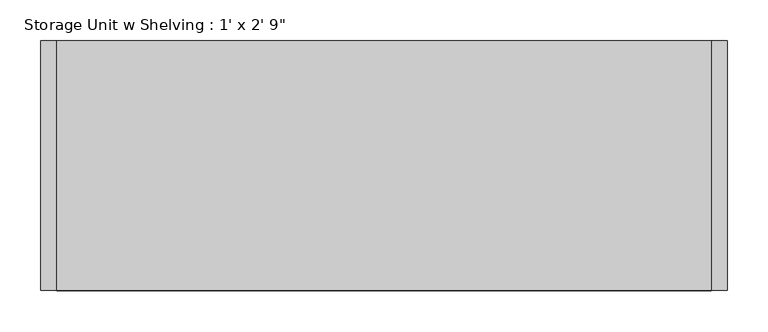
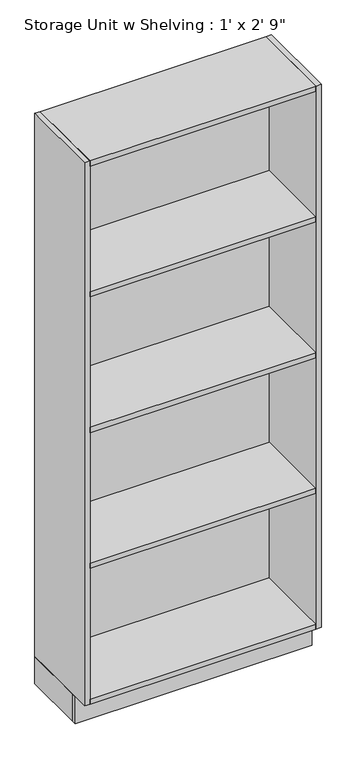
"""IFC4 building model written with IfcOpenShell, lengths in millimetres: furniture geometry."""

import ifcopenshell
import ifcopenshell.guid

model = None  # the IFC model being written
_history = None  # IfcOwnerHistory: only IFC2X3 demands one
_inside = {}  # id of a spatial element -> (the spatial element, [elements in it])
_under = {}  # id of a project, library or spatial element -> (it, [spatial elements below it])
_declared = {}  # id of a project -> (the project, [libraries it declares])
_typed = {}  # id of a type object -> (the type object, [elements of that type])
_made_of = {}  # id of a material, layer set ... -> (it, [elements and type objects made of it])


def new_model(schema):
    """Start an empty IFC model of exactly this schema.

    Asked for "IFC4X3", IfcOpenShell would pick the latest addendum, in which some entities
    have other attributes; the version numbers below select the first issue.
    IFC2X3 requires an IfcOwnerHistory on every rooted entity: one is made here for all.
    """
    global model, _history
    if schema == "IFC4X3":
        model = ifcopenshell.file(schema_version=(4, 3, 0, 0))
    else:
        model = ifcopenshell.file(schema=schema)
    _inside.clear()
    _under.clear()
    _declared.clear()
    _typed.clear()
    _made_of.clear()
    _history = None
    if model.schema == "IFC2X3":
        org = make("IfcOrganization", Name="unknown")
        user = make(
            "IfcPersonAndOrganization",
            ThePerson=make("IfcPerson", FamilyName="unknown"),
            TheOrganization=org,
        )
        app = make(
            "IfcApplication",
            ApplicationDeveloper=org,
            Version="unknown",
            ApplicationFullName="unknown",
            ApplicationIdentifier="unknown",
        )
        _history = make(
            "IfcOwnerHistory",
            OwningUser=user,
            OwningApplication=app,
            ChangeAction="ADDED",
            CreationDate=0,
        )
    return model


def make(cls, **values):
    """One entity of the class cls with the attributes given. An attribute that is None is left unset."""
    return model.create_entity(
        cls, **{name: value for name, value in values.items() if value is not None}
    )


def rooted(cls, **values):
    """An entity with a GlobalId (a new one), such as an element, a storey or a relation."""
    return make(cls, GlobalId=ifcopenshell.guid.new(), OwnerHistory=_history, **values)


def si_unit(unit_type, name, prefix=None):
    """IfcSIUnit, for example si_unit("LENGTHUNIT", "METRE", prefix="MILLI")."""
    return make("IfcSIUnit", UnitType=unit_type, Prefix=prefix, Name=name)


def assignment(units):
    """IfcUnitAssignment: the units of a project."""
    return None if units is None else make("IfcUnitAssignment", Units=units)


def point(xyz):
    """IfcCartesianPoint."""
    return None if xyz is None else make("IfcCartesianPoint", Coordinates=xyz)


def direction(xyz):
    """IfcDirection."""
    return None if xyz is None else make("IfcDirection", DirectionRatios=xyz)


def frame(location, z_axis=None, x_axis=None):
    """IfcAxis2Placement3D, a coordinate frame: its origin and axes. An axis left out is left unset."""
    return make(
        "IfcAxis2Placement3D",
        Location=point(location),
        Axis=direction(z_axis),
        RefDirection=direction(x_axis),
    )


def origin():
    """The frame at (0, 0, 0) with its axes left unset."""
    return frame((0.0, 0.0, 0.0))


def origin_with_axes():
    """The frame at (0, 0, 0) with the z axis (0, 0, 1) and the x axis (1, 0, 0) written out."""
    return frame((0.0, 0.0, 0.0), z_axis=(0.0, 0.0, 1.0), x_axis=(1.0, 0.0, 0.0))


def place(relative_to, where):
    """IfcLocalPlacement: puts the frame where relative to a parent placement (None: the world)."""
    return make(
        "IfcLocalPlacement", PlacementRelTo=relative_to, RelativePlacement=where
    )


def context(
    kind, dimensions, precision=None, world=None, true_north=None, identifier=None
):
    """IfcGeometricRepresentationContext, for example the 3D "Model" context."""
    return make(
        "IfcGeometricRepresentationContext",
        ContextIdentifier=identifier,
        ContextType=kind,
        CoordinateSpaceDimension=dimensions,
        Precision=precision,
        WorldCoordinateSystem=world,
        TrueNorth=true_north,
    )


def project(units=None, contexts=None):
    """IfcProject with its units and contexts."""
    return rooted(
        "IfcProject",
        Name="project",
        RepresentationContexts=contexts,
        UnitsInContext=assignment(units),
    )


def spatial(cls, under=None, at=None, **own):
    """A site, building, storey or space (cls), placed at a placement, below another one or the project."""
    s = rooted(cls, ObjectPlacement=at, **own)
    if under is not None:
        _under.setdefault(under.id(), (under, []))[1].append(s)
    return s


def polyline(points):
    """IfcPolyline through the points."""
    return make("IfcPolyline", Points=[point(p) for p in points])


def outline(outer, holes=None, kind="AREA"):
    """IfcArbitraryClosedProfileDef: a profile drawn as a closed curve; with holes, ...WithVoids."""
    if holes is None:
        return make("IfcArbitraryClosedProfileDef", ProfileType=kind, OuterCurve=outer)
    return make(
        "IfcArbitraryProfileDefWithVoids",
        ProfileType=kind,
        OuterCurve=outer,
        InnerCurves=holes,
    )


def extrude(swept, where, along, depth):
    """IfcExtrudedAreaSolid: the profile swept, set in the frame where, extruded along a direction by depth."""
    return make(
        "IfcExtrudedAreaSolid",
        SweptArea=swept,
        Position=where,
        ExtrudedDirection=direction(along),
        Depth=depth,
    )


def shape(context_of_items, identifier, shape_type, items):
    """IfcShapeRepresentation: the items that make up one representation, for example the "Body"."""
    return make(
        "IfcShapeRepresentation",
        ContextOfItems=context_of_items,
        RepresentationIdentifier=identifier,
        RepresentationType=shape_type,
        Items=items,
    )


def source(mapping_origin, context_of_items, identifier, shape_type, items):
    """IfcRepresentationMap: a shape defined once, which mapped items show again and again."""
    return make(
        "IfcRepresentationMap",
        MappingOrigin=mapping_origin,
        MappedRepresentation=shape(context_of_items, identifier, shape_type, items),
    )


def transform(
    local_origin,
    x_axis=None,
    y_axis=None,
    z_axis=None,
    scale=None,
    scale2=None,
    scale3=None,
    uniform=True,
):
    """IfcCartesianTransformationOperator3D, or its non-uniform kind. x_axis, y_axis, z_axis: its Axis1, 2, 3."""
    if uniform:
        return make(
            "IfcCartesianTransformationOperator3D",
            Axis1=direction(x_axis),
            Axis2=direction(y_axis),
            LocalOrigin=point(local_origin),
            Scale=scale,
            Axis3=direction(z_axis),
        )
    return make(
        "IfcCartesianTransformationOperator3DnonUniform",
        Axis1=direction(x_axis),
        Axis2=direction(y_axis),
        LocalOrigin=point(local_origin),
        Scale=scale,
        Axis3=direction(z_axis),
        Scale2=scale2,
        Scale3=scale3,
    )


def mapped(mapping_source, mapping_target):
    """IfcMappedItem: shows the shape of a source again, moved by a transform."""
    return make(
        "IfcMappedItem", MappingSource=mapping_source, MappingTarget=mapping_target
    )


def made_of(thing, what):
    """Note that an element or type object is made of a material, layer set ...; save() writes the relation."""
    if what is not None:
        _made_of.setdefault(what.id(), (what, []))[1].append(thing)
    return thing


def element(
    cls,
    number,
    at=None,
    inside=None,
    cuts=None,
    type_object=None,
    material=None,
    context=None,
    identifier="Body",
    shape_type=None,
    held_by="IfcProductDefinitionShape",
    body=None,
    shapes=None,
    **own,
):
    """One element of the class cls, such as IfcWall. Its Tag is "e" and its number.

    at: its placement. inside: the storey or other place that contains it. cuts: it is an
    opening in that element (IfcRelVoidsElement). A single representation is given by context,
    identifier, shape_type and body (its items); several are given by shapes. held_by: the class
    of the entity that holds the representations. save() writes the other relations.
    """
    e = rooted(cls, Tag="e%d" % number, ObjectPlacement=at, **own)
    if body is not None:
        shapes = [shape(context, identifier, shape_type, body)]
    if shapes is not None:
        e.Representation = make(held_by, Representations=shapes)
    if inside is not None:
        _inside.setdefault(inside.id(), (inside, []))[1].append(e)
    if cuts is not None:
        rooted(
            "IfcRelVoidsElement", RelatingBuildingElement=cuts, RelatedOpeningElement=e
        )
    if type_object is not None:
        _typed.setdefault(type_object.id(), (type_object, []))[1].append(e)
    return made_of(e, material)


def aggregate(whole, parts):
    """IfcRelAggregates: a whole, such as a stair, and the parts it consists of."""
    return rooted("IfcRelAggregates", RelatingObject=whole, RelatedObjects=parts)


def save(model, path):
    """Write the relations noted so far, then the file.

    IfcRelAggregates (storeys below a building ...), IfcRelContainedInSpatialStructure (elements
    in a storey), IfcRelDefinesByType, IfcRelAssociatesMaterial and IfcRelDeclares: one each for
    every whole, place, type object, material and project.
    """
    for whole, parts in _under.values():
        aggregate(whole, parts)
    for where, things in _inside.values():
        rooted(
            "IfcRelContainedInSpatialStructure",
            RelatedElements=things,
            RelatingStructure=where,
        )
    for kind, things in _typed.values():
        rooted("IfcRelDefinesByType", RelatedObjects=things, RelatingType=kind)
    for what, things in _made_of.values():
        rooted("IfcRelAssociatesMaterial", RelatedObjects=things, RelatingMaterial=what)
    for by, libraries in _declared.values():
        rooted("IfcRelDeclares", RelatingContext=by, RelatedDefinitions=libraries)
    model.write(path)


def furniture_a21399fb(model_context):
    return source(origin(), model_context, "Body", "SweptSolid", [
        extrude(outline(polyline([(294.290969, -228.6), (294.290969, 0.0), (313.340969, 0.0), (313.340969, -228.6), (294.290969, -228.6)])), origin_with_axes(), (0.0, 0.0, 1.0), 101.6),
        extrude(outline(polyline([(-524.859031, -228.6), (-524.859031, 0.0), (-505.809031, 0.0), (-505.809031, -228.6), (-524.859031, -228.6)])), origin_with_axes(), (0.0, 0.0, 1.0), 101.6),
        extrude(outline(polyline([(294.290969, -19.05), (294.290969, -304.8), (-505.809031, -304.8), (-505.809031, -19.05), (294.290969, -19.05)])), frame((0.0, 0.0, 1625.6), z_axis=(0.0, 0.0, 1.0), x_axis=(1.0, 0.0, 0.0)), (0.0, 0.0, 1.0), 19.05),
        extrude(outline(polyline([(294.290969, -19.05), (294.290969, -304.8), (-505.809031, -304.8), (-505.809031, -19.05), (294.290969, -19.05)])), frame((0.0, 0.0, 1117.6), z_axis=(0.0, 0.0, 1.0), x_axis=(1.0, 0.0, 0.0)), (0.0, 0.0, 1.0), 19.05),
        extrude(outline(polyline([(294.290969, -19.05), (294.290969, -304.8), (-505.809031, -304.8), (-505.809031, -19.05), (294.290969, -19.05)])), frame((0.0, 0.0, 609.6), z_axis=(0.0, 0.0, 1.0), x_axis=(1.0, 0.0, 0.0)), (0.0, 0.0, 1.0), 19.05),
        extrude(outline(polyline([(294.290969, -19.05), (294.290969, -304.8), (-505.809031, -304.8), (-505.809031, -19.05), (294.290969, -19.05)])), frame((0.0, 0.0, 101.6), z_axis=(0.0, 0.0, 1.0), x_axis=(1.0, 0.0, 0.0)), (0.0, 0.0, 1.0), 19.05),
        extrude(outline(polyline([(294.290969, -19.05), (-505.809031, -19.05), (-505.809031, 0.0), (294.290969, 0.0), (294.290969, -19.05)])), origin_with_axes(), (0.0, 0.0, 1.0), 2114.55),
        extrude(outline(polyline([(294.290969, 0.0), (294.290969, -304.8), (-505.809031, -304.8), (-505.809031, 0.0), (294.290969, 0.0)])), frame((0.0, 0.0, 2114.55), z_axis=(0.0, 0.0, 1.0), x_axis=(1.0, 0.0, 0.0)), (0.0, 0.0, 1.0), 19.05),
        extrude(outline(polyline([(294.290969, -304.8), (294.290969, 0.0), (313.340969, 0.0), (313.340969, -304.8), (294.290969, -304.8)])), frame((0.0, 0.0, 101.6), z_axis=(0.0, 0.0, 1.0), x_axis=(1.0, 0.0, 0.0)), (0.0, 0.0, 1.0), 2032.0),
        extrude(outline(polyline([(-524.859031, -304.8), (-524.859031, 0.0), (-505.809031, 0.0), (-505.809031, -304.8), (-524.859031, -304.8)])), frame((0.0, 0.0, 101.6), z_axis=(0.0, 0.0, 1.0), x_axis=(1.0, 0.0, 0.0)), (0.0, 0.0, 1.0), 2032.0),
        extrude(outline(polyline([(-524.859031, -247.65), (-524.859031, -228.6), (313.340969, -228.6), (313.340969, -247.65), (-524.859031, -247.65)])), origin_with_axes(), (0.0, 0.0, 1.0), 101.6),
    ])


if __name__ == "__main__":
    model = new_model("IFC4")
    model_context = context("Model", 3, world=origin())
    ifc_project = project(units=[si_unit("LENGTHUNIT", "METRE", prefix="MILLI")], contexts=[model_context])
    site = spatial("IfcSite", under=ifc_project)
    building = spatial("IfcBuilding", under=site)
    placement = place(None, origin())
    furniture_shape = furniture_a21399fb(model_context)
    element("IfcFurniture", 1, ObjectType="Storage Unit w Shelving : 1' x 2' 9\"", at=placement, inside=building, context=model_context, shape_type="MappedRepresentation", body=[
        mapped(furniture_shape, transform((0.0, 0.0, 0.0), x_axis=(1.0, 0.0, 0.0), y_axis=(0.0, 1.0, 0.0), z_axis=(0.0, 0.0, 1.0))),
    ])
    save(model, "model.ifc")
